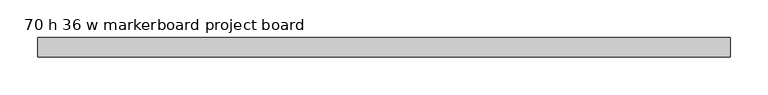
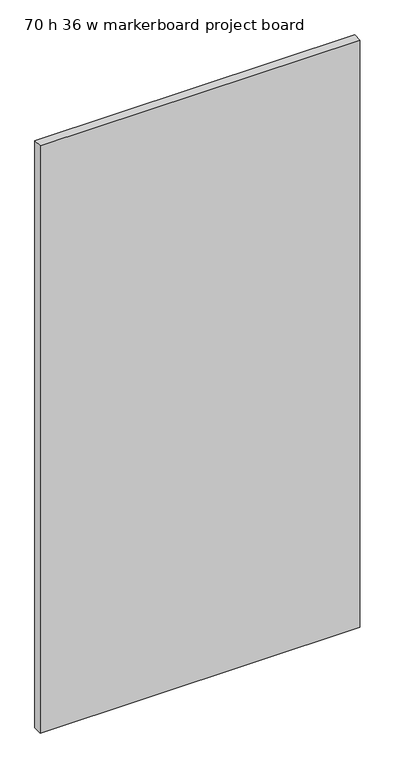
"""IFC4 building model written with IfcOpenShell, lengths in millimetres: furniture geometry, 70 h 36 w markerboard project board."""

from ifc_helpers import new_model, si_unit, frame, origin, place, context, project, spatial, polyline, outline, extrude, source, transform, mapped, element, save


def furniture_70_h_36_w_markerboard_project_board_60c691fd(model_context):
    return source(origin(), model_context, "Body", "SweptSolid", [
        extrude(outline(polyline([(919.3954811, -4.6856657), (919.3954811, -30.0856636), (4.9954811, -30.0856636), (4.9954811, -4.6856657), (919.3954811, -4.6856657)])), frame((0.0, 0.0, 304.7998002), z_axis=(0.0, 0.0, 1.0), x_axis=(1.0, 0.0, 0.0)), (0.0, 0.0, 1.0), 1775.4988021),
    ])


if __name__ == "__main__":
    model = new_model("IFC4")
    model_context = context("Model", 3, world=origin())
    ifc_project = project(units=[si_unit("LENGTHUNIT", "METRE", prefix="MILLI")], contexts=[model_context])
    site = spatial("IfcSite", under=ifc_project)
    building = spatial("IfcBuilding", under=site)
    placement = place(None, origin())
    furniture_70_h_36_w_markerboard_project_board_shape = furniture_70_h_36_w_markerboard_project_board_60c691fd(model_context)
    element("IfcFurniture", 1, ObjectType="70 h 36 w markerboard project board", at=placement, inside=building, context=model_context, shape_type="MappedRepresentation", body=[
        mapped(furniture_70_h_36_w_markerboard_project_board_shape, transform((0.0, 0.0, 0.0), x_axis=(1.0, 0.0, 0.0), y_axis=(0.0, 1.0, 0.0), z_axis=(0.0, 0.0, 1.0))),
    ])
    save(model, "model.ifc")
